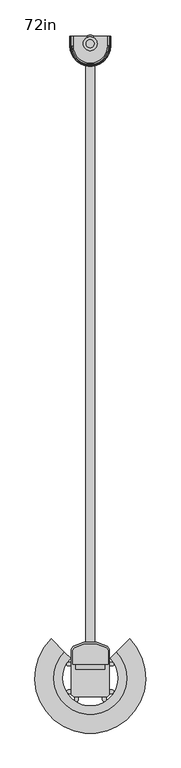
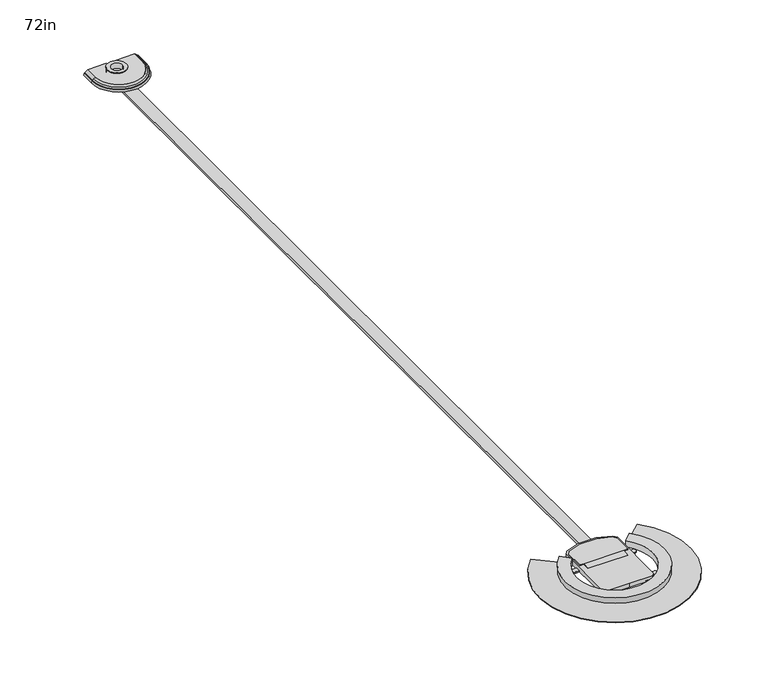
"""IFC4 building model written with IfcOpenShell, lengths in millimetres: furniture geometry, 72in."""

from ifc_helpers import new_model, si_unit, point, frame, frame_2d, origin, origin_with_axes, place, context, project, spatial, polyline, circle_curve, trimmed, segment, composite_curve, outline, extrude, faceted_brep, source, transform, mapped, element, save
from ifc_brep_helpers import plane_surface, cylinder_surface, revolved_surface, advanced_brep


def furniture_72in_c934b38a(model_context):
    return source(origin(), model_context, "Body", "SolidModel", [
        advanced_brep(
        [(-55.917888, -21.5414702, 5.0287178), (-49.241411, -21.5414702, 9.8794623), (-49.241411, -21.5414702, 7.3154966), (-52.4143152, -21.5414702, 5.332846), (-54.9510345, -21.5414702, 3.4898116), (-55.9338643, -21.5414702, 2.5069818), (-56.6623943, -21.5414702, 0.0), (-58.1197375, -21.5414702, 0.0), (-56.9617313, -21.5414702, 3.9848746), (-49.241411, -48.9001308, 9.8794623), (-49.241411, -48.9001308, 7.3154966), (-52.4143152, -48.9001308, 5.332846), (-54.9510345, -48.9001308, 3.4898116), (-55.9338643, -48.9001308, 2.5069818), (-56.6623943, -48.9001308, 0.0), (56.6623943, -48.9001308, 0.0), (56.6623943, -21.5414702, 0.0), (58.1197375, -21.5414702, 0.0), (58.1197375, -48.9001308, 0.0), (-58.1197375, -48.9001308, 0.0), (-56.9617313, -48.9001308, 3.9848746), (-55.917888, -48.9001308, 5.0287178), (-53.3063782, -48.9001308, 6.9260908), (49.241411, -48.9001308, 7.3154966), (49.241411, -48.9001308, 9.8794623), (52.4143152, -48.9001308, 5.332846), (54.9510345, -48.9001308, 3.4898116), (55.9338643, -48.9001308, 2.5069818), (56.9617313, -48.9001308, 3.9848746), (55.917888, -48.9001308, 5.0287178), (53.3063782, -48.9001308, 6.9260908), (49.241411, -21.5414702, 9.8794623), (55.917888, -21.5414702, 5.0287178), (56.9617313, -21.5414702, 3.9848746), (55.9338643, -21.5414702, 2.5069818), (54.9510345, -21.5414702, 3.4898116), (52.4143152, -21.5414702, 5.332846), (49.241411, -21.5414702, 7.3154966)],
        [
            (0, 1),
            (1, 2),
            (2, 3),
            (3, 4),
            (4, 5),
            (5, 6),
            (6, 7),
            (7, 8),
            (8, 0),
            (1, 9),
            (9, 10),
            (10, 2),
            (10, 11),
            (11, 3),
            (11, 12),
            (12, 4),
            (12, 13),
            (13, 5),
            (13, 14),
            (14, 6),
            (14, 15, circle_curve(frame((0.0, -48.9001308, 0.0), z_axis=(0.0, 0.0, 1.0), x_axis=(-1.0, 0.0, 0.0)), 56.6623943)),
            (15, 16),
            (16, 17),
            (17, 18),
            (18, 19, circle_curve(frame((0.0, -48.9001308, 0.0), z_axis=(0.0, 0.0, -1.0), x_axis=(-1.0, 0.0, 0.0)), 58.1197375)),
            (19, 7),
            (19, 20),
            (20, 8),
            (20, 21),
            (21, 0),
            (21, 22),
            (22, 9),
            (23, 10, circle_curve(frame((0.0, -48.9001308, 7.3154966), z_axis=(0.0, 0.0, -1.0), x_axis=(-1.0, 0.0, 0.0)), 49.241411)),
            (9, 24, circle_curve(frame((0.0, -48.9001308, 9.8794623), z_axis=(0.0, 0.0, 1.0), x_axis=(-1.0, 0.0, 0.0)), 49.241411)),
            (24, 23),
            (25, 11, circle_curve(frame((0.0, -48.9001308, 5.332846), z_axis=(0.0, 0.0, -1.0), x_axis=(-1.0, 0.0, 0.0)), 52.4143152)),
            (23, 25),
            (26, 12, circle_curve(frame((0.0, -48.9001308, 3.4898116), z_axis=(0.0, 0.0, -1.0), x_axis=(-1.0, 0.0, 0.0)), 54.9510345)),
            (25, 26),
            (27, 13, circle_curve(frame((0.0, -48.9001308, 2.5069818), z_axis=(0.0, 0.0, -1.0), x_axis=(-1.0, 0.0, 0.0)), 55.9338643)),
            (26, 27),
            (27, 15),
            (28, 20, circle_curve(frame((0.0, -48.9001308, 3.9848746), z_axis=(0.0, 0.0, -1.0), x_axis=(-1.0, 0.0, 0.0)), 56.9617313)),
            (18, 28),
            (29, 21, circle_curve(frame((0.0, -48.9001308, 5.0287178), z_axis=(0.0, 0.0, -1.0), x_axis=(-1.0, 0.0, 0.0)), 55.917888)),
            (28, 29),
            (30, 22, circle_curve(frame((0.0, -48.9001308, 6.9260908), z_axis=(0.0, 0.0, -1.0), x_axis=(-1.0, 0.0, 0.0)), 53.3063782)),
            (29, 30),
            (30, 24),
            (31, 32),
            (32, 33),
            (33, 17),
            (16, 34),
            (34, 35),
            (35, 36),
            (36, 37),
            (37, 31),
            (24, 31),
            (37, 23),
            (36, 25),
            (35, 26),
            (34, 27),
            (33, 28),
            (32, 29),
        ],
        [
            plane_surface(frame((-49.241411, -21.5414702, 0.0), z_axis=(0.0, 1.0, 0.0), x_axis=(0.0, 0.0, 1.0))),
            plane_surface(frame((-49.241411, -21.5414702, 9.8794623), z_axis=(1.0, 0.0, 0.0), x_axis=(0.0, -1.0, 0.0))),
            plane_surface(frame((-49.241411, -21.5414702, 7.3154966), z_axis=(0.5299192642332045, 0.0, -0.8480480961564263), x_axis=(0.0, -1.0, 0.0))),
            plane_surface(frame((-52.4143152, -21.5414702, 5.332846), z_axis=(0.5877852522924727, 0.0, -0.8090169943749478), x_axis=(0.0, -1.0, 0.0))),
            plane_surface(frame((-54.9510345, -21.5414702, 3.4898116), z_axis=(0.7071067811865471, 0.0, -0.7071067811865479), x_axis=(0.0, -1.0, 0.0))),
            plane_surface(frame((-55.9338643, -21.5414702, 2.5069818), z_axis=(0.960274755060864, 0.0, -0.27905625739767553), x_axis=(0.0, -1.0, 0.0))),
            plane_surface(frame((-56.6623943, -21.5414702, 0.0), z_axis=(0.0, 0.0, -1.0), x_axis=(0.0, -1.0, 0.0))),
            plane_surface(frame((-58.1197375, -21.5414702, 0.0), z_axis=(-0.9602747550608637, 0.0, 0.27905625739767675), x_axis=(0.0, -1.0, 0.0))),
            plane_surface(frame((-56.9617313, -21.5414702, 3.9848746), z_axis=(-0.707106781186547, 0.0, 0.7071067811865481), x_axis=(0.0, -1.0, 0.0))),
            plane_surface(frame((-53.3063782, -21.5414702, 6.9260908), z_axis=(-0.5877852522924727, 0.0, 0.8090169943749478), x_axis=(0.0, -1.0, 0.0))),
            revolved_surface(polyline([(-49.241411, -48.9001308, 9.8794623), (-49.241411, -48.9001308, 7.3154966)]), (0.0, -48.9001308, 0.0), (0.0, 0.0, 1.0)),
            revolved_surface(polyline([(-49.241411, -48.9001308, 7.3154966), (-52.4143152, -48.9001308, 5.332846)]), (0.0, -48.9001308, 0.0), (0.0, 0.0, 1.0)),
            revolved_surface(polyline([(-52.4143152, -48.9001308, 5.332846), (-54.9510345, -48.9001308, 3.4898116)]), (0.0, -48.9001308, 0.0), (0.0, 0.0, 1.0)),
            revolved_surface(polyline([(-54.9510345, -48.9001308, 3.4898116), (-55.9338643, -48.9001308, 2.5069818)]), (0.0, -48.9001308, 0.0), (0.0, 0.0, 1.0)),
            revolved_surface(polyline([(-55.9338643, -48.9001308, 2.5069818), (-56.6623943, -48.9001308, 0.0)]), (0.0, -48.9001308, 0.0), (0.0, 0.0, 1.0)),
            revolved_surface(polyline([(-58.1197375, -48.9001308, 0.0), (-56.9617313, -48.9001308, 3.9848746)]), (0.0, -48.9001308, 0.0), (0.0, 0.0, 1.0)),
            revolved_surface(polyline([(-56.9617313, -48.9001308, 3.9848746), (-55.917888, -48.9001308, 5.0287178)]), (0.0, -48.9001308, 0.0), (0.0, 0.0, 1.0)),
            revolved_surface(polyline([(-55.917888, -48.9001308, 5.0287178), (-53.3063782, -48.9001308, 6.9260908)]), (0.0, -48.9001308, 0.0), (0.0, 0.0, 1.0)),
            revolved_surface(polyline([(-53.3063782, -48.9001308, 6.9260908), (-49.241411, -48.9001308, 9.8794623)]), (0.0, -48.9001308, 0.0), (0.0, 0.0, 1.0)),
            plane_surface(frame((49.241411, -21.5414702, 0.0), z_axis=(0.0, 1.0, 0.0), x_axis=(0.0, 0.0, 1.0))),
            plane_surface(frame((49.241411, -48.9001308, 9.8794623), z_axis=(-1.0, 0.0, 0.0), x_axis=(0.0, 1.0, 0.0))),
            plane_surface(frame((49.241411, -48.9001308, 7.3154966), z_axis=(-0.5299192642332045, 0.0, -0.8480480961564263), x_axis=(0.0, 1.0, 0.0))),
            plane_surface(frame((52.4143152, -48.9001308, 5.332846), z_axis=(-0.5877852522924727, 0.0, -0.8090169943749478), x_axis=(0.0, 1.0, 0.0))),
            plane_surface(frame((54.9510345, -48.9001308, 3.4898116), z_axis=(-0.7071067811865471, 0.0, -0.7071067811865479), x_axis=(0.0, 1.0, 0.0))),
            plane_surface(frame((55.9338643, -48.9001308, 2.5069818), z_axis=(-0.960274755060864, 0.0, -0.27905625739767553), x_axis=(0.0, 1.0, 0.0))),
            plane_surface(frame((58.1197375, -48.9001308, 0.0), z_axis=(0.9602747550608637, 0.0, 0.27905625739767675), x_axis=(0.0, 1.0, 0.0))),
            plane_surface(frame((56.9617313, -48.9001308, 3.9848746), z_axis=(0.707106781186547, 0.0, 0.7071067811865481), x_axis=(0.0, 1.0, 0.0))),
            plane_surface(frame((53.3063782, -48.9001308, 6.9260908), z_axis=(0.5877852522924727, 0.0, 0.8090169943749478), x_axis=(0.0, 1.0, 0.0))),
        ],
        [
            (0, [[1, 2, 3, 4, 5, 6, 7, 8, 9]]),
            (1, [[-2, 10, 11, 12]]),
            (2, [[-3, -12, 13, 14]]),
            (3, [[-4, -14, 15, 16]]),
            (4, [[-5, -16, 17, 18]]),
            (5, [[-6, -18, 19, 20]]),
            (6, [[-7, -20, 21, 22, 23, 24, 25, 26]]),
            (7, [[-8, -26, 27, 28]]),
            (8, [[-9, -28, 29, 30]]),
            (9, [[-30, 31, 32, -10, -1]]),
            (10, [[33, -11, 34, 35]]),
            (11, [[36, -13, -33, 37]]),
            (12, [[38, -15, -36, 39]]),
            (13, [[40, -17, -38, 41]]),
            (14, [[-21, -19, -40, 42]]),
            (15, [[43, -27, -25, 44]]),
            (16, [[45, -29, -43, 46]]),
            (17, [[47, -31, -45, 48]]),
            (18, [[-34, -32, -47, 49]]),
            (19, [[50, 51, 52, -23, 53, 54, 55, 56, 57]]),
            (20, [[-35, 58, -57, 59]]),
            (21, [[-37, -59, -56, 60]]),
            (22, [[-39, -60, -55, 61]]),
            (23, [[-41, -61, -54, 62]]),
            (24, [[-42, -62, -53, -22]]),
            (25, [[-44, -24, -52, 63]]),
            (26, [[-46, -63, -51, 64]]),
            (27, [[-49, -48, -64, -50, -58]]),
        ],
    ),
        extrude(outline(composite_curve([segment(trimmed(circle_curve(frame_2d((0.0, -42.1618292)), 19.683299), [point((-10.4368934, -25.4734046))], [point((10.4368934, -25.4734046))], True, "CARTESIAN"), True, "CONTINUOUS"), segment(polyline([(10.4368934, -25.4734046), (10.4368934, -21.5414702), (49.241411, -21.5414702), (49.241411, -48.9001308)]), True, "CONTINUOUS"), segment(trimmed(circle_curve(frame_2d((0.0, -48.9001308)), 49.241411), [point((49.241411, -48.9001308))], [point((-49.241411, -48.9001308))], False, "CARTESIAN"), True, "CONTINUOUS"), segment(polyline([(-49.241411, -48.9001308), (-49.241411, -21.5414702), (-10.4368934, -21.5414702), (-10.4368934, -25.4734046)]), True, "CONTINUOUS")], self_intersect=False)), frame((0.0, 0.0, 7.3154966), z_axis=(0.0, 0.0, 1.0), x_axis=(1.0, 0.0, 0.0)), (0.0, 0.0, 1.0), 2.5639657),
        extrude(outline(composite_curve([segment(polyline([(-41.1390366, -48.9995162), (-16.5881291, -24.4486088)]), True, "CONTINUOUS"), segment(trimmed(circle_curve(frame_2d((-0.1348263, -40.9019116)), 23.268484), [point((-16.5881291, -24.4486088))], [point((16.3184765, -24.4486088))], False, "CARTESIAN"), True, "CONTINUOUS"), segment(polyline([(16.3184765, -24.4486088), (40.8693839, -48.9995162)]), True, "CONTINUOUS"), segment(trimmed(circle_curve(frame_2d((-0.1348263, -39.8046993)), 42.022493), [point((40.8693839, -48.9995162))], [point((-41.1390366, -48.9995162))], False, "CARTESIAN"), True, "CONTINUOUS")], self_intersect=False)), frame((0.0, 0.0, -14.9650365), z_axis=(0.0, 0.0, 1.0), x_axis=(1.0, 0.0, 0.0)), (0.0, 0.0, 1.0), 3.723006),
        extrude(outline(composite_curve([segment(polyline([(-41.0299316, -55.1715063), (-14.4938468, -28.6354215)]), True, "CONTINUOUS"), segment(trimmed(circle_curve(frame_2d((-1.0234626, -42.1058057)), 19.05), [point((-14.4938468, -28.6354215))], [point((12.4469216, -28.6354215))], False, "CARTESIAN"), True, "CONTINUOUS"), segment(polyline([(12.4469216, -28.6354215), (38.9830064, -55.1715063)]), True, "CONTINUOUS"), segment(trimmed(circle_curve(frame_2d((-1.0234626, -44.2995936)), 41.4574004), [point((38.9830064, -55.1715063))], [point((-41.0299316, -55.1715063))], False, "CARTESIAN"), True, "CONTINUOUS")], self_intersect=False)), frame((0.0, 0.0, -11.2420305), z_axis=(0.0, 0.0, 1.0), x_axis=(1.0, 0.0, 0.0)), (0.0, 0.0, 1.0), 11.2420305),
        extrude(outline(composite_curve([segment(trimmed(circle_curve(frame_2d((-0.396875, -42.548905)), 19.8084498), [point((-20.2053248, -42.548905))], [point((19.4115748, -42.548905))], False, "CARTESIAN"), True, "CONTINUOUS"), segment(trimmed(circle_curve(frame_2d((-0.396875, -42.548905)), 19.8084498), [point((19.4115748, -42.548905))], [point((-20.2053248, -42.548905))], False, "CARTESIAN"), True, "CONTINUOUS")], self_intersect=False), holes=[composite_curve([segment(trimmed(circle_curve(frame_2d((-0.396875, -42.548905)), 11.43), [point((-11.826875, -42.548905))], [point((11.033125, -42.548905))], True, "CARTESIAN"), True, "CONTINUOUS"), segment(trimmed(circle_curve(frame_2d((-0.396875, -42.548905)), 11.43), [point((11.033125, -42.548905))], [point((-11.826875, -42.548905))], True, "CARTESIAN"), True, "CONTINUOUS")], self_intersect=False)]), origin_with_axes(), (0.0, 0.0, 1.0), 11.7527472),
        advanced_brep(
        [(111.7645681, -1738.6169054, -14.6803982), (79.9716784, -1770.4097951, -14.6803982), (56.3406561, -1794.0408174, -11.1079753), (56.3406561, -1794.0408174, 2.8037988), (73.656571, -1776.7249025, 2.8037988), (73.656571, -1776.7249025, -9.7256502), (111.7645681, -1738.6169054, -13.4942051), (-111.6845615, -1738.6169054, -14.6803982), (-111.6845615, -1738.6169054, -13.4942051), (-73.5765644, -1776.7249025, -9.7256502), (-73.5765644, -1776.7249025, 2.8037988), (-56.2606495, -1794.0408174, 2.8037988), (-56.2606495, -1794.0408174, -11.1079753), (-79.8916718, -1770.4097951, -14.6803982)],
        [
            (0, 1),
            (1, 2),
            (2, 3),
            (3, 4),
            (4, 5),
            (5, 6),
            (6, 0),
            (7, 8),
            (8, 9),
            (9, 10),
            (10, 11),
            (11, 12),
            (12, 13),
            (13, 7),
            (7, 0, circle_curve(frame((0.0400033, -1850.3414702, -14.6803982), z_axis=(0.0, 0.0, 1.0), x_axis=(0.7071067811865515, 0.7071067811865437, 0.0)), 158.0023948)),
            (6, 8, circle_curve(frame((0.0400033, -1850.3414702, -13.4942051), z_axis=(0.0, 0.0, -1.0), x_axis=(0.7071067811865515, 0.7071067811865437, 0.0)), 158.0023948)),
            (10, 4, circle_curve(frame((0.0400033, -1850.3414702, 2.8037988), z_axis=(0.0, 0.0, 1.0), x_axis=(0.7071067811865515, 0.7071067811865437, 0.0)), 104.1095484)),
            (3, 11, circle_curve(frame((0.0400033, -1850.3414702, 2.8037988), z_axis=(0.0, 0.0, -1.0), x_axis=(0.7071067811865515, 0.7071067811865437, 0.0)), 79.6211467)),
            (13, 1, circle_curve(frame((0.0400033, -1850.3414702, -14.6803982), z_axis=(0.0, 0.0, 1.0), x_axis=(0.7071067811865515, 0.7071067811865437, 0.0)), 113.0404589)),
            (5, 9, circle_curve(frame((0.0400033, -1850.3414702, -9.7256502), z_axis=(0.0, 0.0, -1.0), x_axis=(0.7071067811865515, 0.7071067811865437, 0.0)), 104.1095484)),
            (12, 2, circle_curve(frame((0.0400033, -1850.3414702, -11.1079753), z_axis=(0.0, 0.0, 1.0), x_axis=(0.7071067811865515, 0.7071067811865437, 0.0)), 79.6211467)),
        ],
        [
            plane_surface(frame((0.0400033, -1850.3414702, 9.1537988), z_axis=(-0.7071067811865437, 0.7071067811865515, 0.0), x_axis=(0.7071067811865515, 0.7071067811865437, 0.0))),
            plane_surface(frame((0.0400033, -1850.3414702, 9.1537988), z_axis=(0.7071067811865482, 0.7071067811865469, 0.0), x_axis=(-0.7071067811865469, 0.7071067811865482, 0.0))),
            cylinder_surface(frame((0.0400033, -1850.3414702, 9.1537988), z_axis=(0.0, 0.0, 1.0), x_axis=(0.7071067811865515, 0.7071067811865437, 0.0)), 158.0023948),
            plane_surface(frame((0.0400033, -1850.3414702, 2.8037988), z_axis=(0.0, 0.0, 1.0), x_axis=(0.7071067811865515, 0.7071067811865437, 0.0))),
            plane_surface(frame((0.0400033, -1850.3414702, -14.6803982), z_axis=(0.0, 0.0, -1.0), x_axis=(0.7071067811865515, 0.7071067811865437, 0.0))),
            revolved_surface(polyline([(111.7645681, -1738.6169054, -13.4942051), (73.656571, -1776.7249025, -9.7256502)]), (0.0400033, -1850.3414702, 9.1537988), (0.0, 0.0, 1.0)),
            cylinder_surface(frame((0.0400033, -1850.3414702, 9.1537988), z_axis=(0.0, 0.0, 1.0), x_axis=(0.7071067811865515, 0.7071067811865437, 0.0)), 104.1095484),
            revolved_surface(polyline([(56.3406561, -1794.0408174, -11.1079753), (79.9716784, -1770.4097951, -14.6803982)]), (0.0400033, -1850.3414702, 9.1537988), (0.0, 0.0, 1.0)),
            revolved_surface(polyline([(56.34065605741922, -1794.0408174425813, 2.8037988), (56.34065605741922, -1794.0408174425813, -11.1079753)]), (0.0400033, -1850.3414702, 9.1537988), (0.0, 0.0, 1.0)),
        ],
        [
            (0, [[1, 2, 3, 4, 5, 6, 7]]),
            (1, [[8, 9, 10, 11, 12, 13, 14]]),
            (2, [[15, -7, 16, -8]]),
            (3, [[17, -4, 18, -11]]),
            (4, [[19, -1, -15, -14]]),
            (5, [[-16, -6, 20, -9]]),
            (6, [[-20, -5, -17, -10]]),
            (7, [[21, -2, -19, -13]]),
            (8, [[-18, -3, -21, -12]]),
        ],
    ),
        faceted_brep([(-44.8681966, -1763.983679, -3.2501417), (-50.4834743, -1772.0031268, -3.2501417), (-50.4834743, -1811.0175198, -3.2501417), (-42.1606562, -1811.0175198, -3.2501417), (41.6593438, -1811.0175198, -3.2501417), (50.4834707, -1811.0175198, -3.2501417), (50.4834707, -1772.0031215, -3.2501417), (44.8681966, -1763.983679, -3.2501417), (17.9620531, -1754.1906437, -3.2501417), (-17.9620531, -1754.1906437, -3.2501417), (-44.8681966, -1763.983679, -5.0281417), (-17.9620531, -1754.1906437, -5.0281417), (17.9620531, -1754.1906437, -5.0281417), (44.8681966, -1763.983679, -5.0281417), (50.4834707, -1772.0031215, -5.0281417), (50.4834707, -1811.0175198, -5.0281417), (41.6593438, -1811.0175198, -5.0281417), (41.6593438, -1825.7036146, -5.0281417), (-42.1606562, -1825.7036146, -5.0281417), (-42.1606562, -1811.0175198, -5.0281417), (-50.4834743, -1811.0175198, -5.0281417), (-50.4834743, -1772.0031268, -5.0281417)], [[[0, 1, 2, 3, 4, 5, 6, 7, 8, 9]], [[10, 11, 12, 13, 14, 15, 16, 17, 18, 19, 20, 21]], [[1, 0, 10, 21]], [[2, 1, 21, 20]], [[2, 20, 19, 3]], [[15, 5, 4, 16]], [[6, 5, 15, 14]], [[7, 6, 14, 13]], [[8, 7, 13, 12]], [[9, 8, 12, 11]], [[0, 9, 11, 10]], [[4, 17, 16]], [[19, 18, 3]], [[17, 4, 3, 18]]]),
        extrude(outline(polyline([(-13.3755532, -83.1129178), (12.2478334, -83.1129178), (12.2478334, -1768.5522804), (-13.3755532, -1768.5522804), (-13.3755532, -83.1129178)])), frame((0.0, 0.0, -14.9650365), z_axis=(0.0, 0.0, 1.0), x_axis=(1.0, 0.0, 0.0)), (0.0, 0.0, 1.0), 5.2811493),
        extrude(outline(composite_curve([segment(trimmed(circle_curve(frame_2d((62.2013686, -1889.6654205)), 5.1040149), [point((62.2013686, -1884.5614057))], [point((62.2013686, -1894.7694354))], False, "CARTESIAN"), True, "CONTINUOUS"), segment(polyline([(62.2013686, -1894.7694354), (53.8193884, -1894.7694354), (53.8193884, -1884.5614057), (62.2013686, -1884.5614057)]), True, "CONTINUOUS")], self_intersect=False)), frame((0.0, 0.0, -14.0376345), z_axis=(0.0, 0.0, 1.0), x_axis=(1.0, 0.0, 0.0)), (0.0, 0.0, 1.0), 2.2553799),
        extrude(outline(composite_curve([segment(trimmed(circle_curve(frame_2d((62.2013686, -1811.0175198)), 5.1040149), [point((62.2013686, -1805.913505))], [point((62.2013686, -1816.1215347))], False, "CARTESIAN"), True, "CONTINUOUS"), segment(polyline([(62.2013686, -1816.1215347), (53.8193884, -1816.1215347), (53.8193884, -1805.913505), (62.2013686, -1805.913505)]), True, "CONTINUOUS")], self_intersect=False)), frame((0.0, 0.0, -14.0376345), z_axis=(0.0, 0.0, 1.0), x_axis=(1.0, 0.0, 0.0)), (0.0, 0.0, 1.0), 2.2553799),
        extrude(outline(composite_curve([segment(polyline([(-62.121362, -1884.5614057), (-53.7393818, -1884.5614057), (-53.7393818, -1894.7694354), (-62.121362, -1894.7694354)]), True, "CONTINUOUS"), segment(trimmed(circle_curve(frame_2d((-62.121362, -1889.6654205)), 5.1040149), [point((-62.121362, -1894.7694354))], [point((-62.121362, -1884.5614057))], False, "CARTESIAN"), True, "CONTINUOUS")], self_intersect=False)), frame((0.0, 0.0, -14.0376345), z_axis=(0.0, 0.0, 1.0), x_axis=(1.0, 0.0, 0.0)), (0.0, 0.0, 1.0), 2.2553799),
        extrude(outline(composite_curve([segment(polyline([(-62.121362, -1805.913505), (-53.7393818, -1805.913505), (-53.7393818, -1816.1215347), (-62.121362, -1816.1215347)]), True, "CONTINUOUS"), segment(trimmed(circle_curve(frame_2d((-62.121362, -1811.0175198)), 5.1040149), [point((-62.121362, -1816.1215347))], [point((-62.121362, -1805.913505))], False, "CARTESIAN"), True, "CONTINUOUS")], self_intersect=False)), frame((0.0, 0.0, -14.0376345), z_axis=(0.0, 0.0, 1.0), x_axis=(1.0, 0.0, 0.0)), (0.0, 0.0, 1.0), 2.2553799),
        extrude(outline(composite_curve([segment(polyline([(-44.8937703, -1912.6057622), (-44.8937703, -1904.223782), (-34.6857406, -1904.223782), (-34.6857406, -1912.6057622)]), True, "CONTINUOUS"), segment(trimmed(circle_curve(frame_2d((-39.7897555, -1912.6057622)), 5.1040149), [point((-34.6857406, -1912.6057622))], [point((-44.8937703, -1912.6057622))], False, "CARTESIAN"), True, "CONTINUOUS")], self_intersect=False)), frame((0.0, 0.0, -14.0376345), z_axis=(0.0, 0.0, 1.0), x_axis=(1.0, 0.0, 0.0)), (0.0, 0.0, 1.0), 2.2553799),
        extrude(outline(composite_curve([segment(trimmed(circle_curve(frame_2d((39.869762, -1912.6057622)), 5.1040149), [point((44.9737769, -1912.6057622))], [point((34.7657472, -1912.6057622))], False, "CARTESIAN"), True, "CONTINUOUS"), segment(polyline([(34.7657472, -1912.6057622), (34.7657472, -1904.223782), (44.9737769, -1904.223782), (44.9737769, -1912.6057622)]), True, "CONTINUOUS")], self_intersect=False)), frame((0.0, 0.0, -14.0376345), z_axis=(0.0, 0.0, 1.0), x_axis=(1.0, 0.0, 0.0)), (0.0, 0.0, 1.0), 2.2553799),
        extrude(outline(polyline([(-48.1107813, -1759.7578603), (-18.8577941, -1749.1106437), (0.0, -1749.1106437), (18.8577941, -1749.1106437), (48.1107813, -1759.7578603), (53.8193884, -1767.9105961), (53.8193884, -1898.0073367), (47.6029431, -1904.223782), (0.0, -1904.223782), (-47.6029431, -1904.223782), (-53.8193884, -1898.0073367), (-53.8193884, -1767.9105961), (-48.1107813, -1759.7578603)])), frame((0.0, 0.0, -14.0376231), z_axis=(0.0, 0.0, 1.0), x_axis=(1.0, 0.0, 0.0)), (0.0, 0.0, 1.0), 9.0094814),
    ])


if __name__ == "__main__":
    model = new_model("IFC4")
    model_context = context("Model", 3, world=origin())
    ifc_project = project(units=[si_unit("LENGTHUNIT", "METRE", prefix="MILLI")], contexts=[model_context])
    site = spatial("IfcSite", under=ifc_project)
    building = spatial("IfcBuilding", under=site)
    placement = place(None, origin())
    furniture_72in_shape = furniture_72in_c934b38a(model_context)
    element("IfcFurniture", 1, ObjectType="72in", at=placement, inside=building, context=model_context, shape_type="MappedRepresentation", body=[
        mapped(furniture_72in_shape, transform((0.0, 0.0, 0.0), x_axis=(1.0, 0.0, 0.0), y_axis=(0.0, 1.0, 0.0), z_axis=(0.0, 0.0, 1.0))),
    ])
    save(model, "model.ifc")
